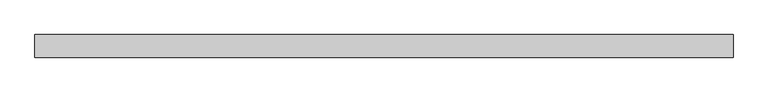
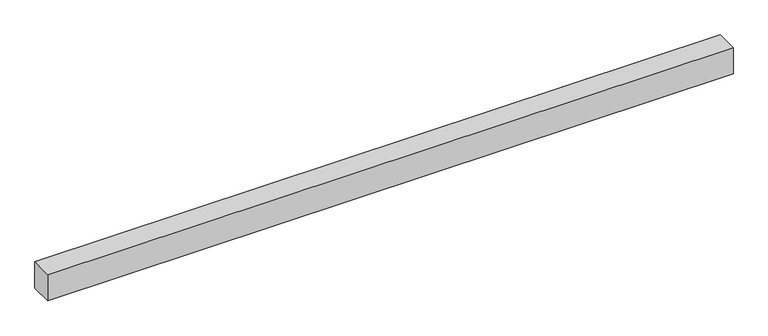
"""IFC4 building model written with IfcOpenShell, lengths in millimetres: proxy geometry."""

from ifc_helpers import new_model, si_unit, frame, origin, place, context, project, spatial, polyline, outline, extrude, source, transform, mapped, element, save


def generic_models_476e110e(model_context):
    return source(origin(), model_context, "Body", "SweptSolid", [
        extrude(outline(polyline([(40.0, 0.0), (-40.0, 0.0), (-40.0, 2464.2640687), (40.0, 2464.2640687), (40.0, 0.0)])), frame((2464.2640687, 0.0, 0.0), z_axis=(0.0, -1.9783474858313244e-12, 1.0), x_axis=(0.0, 1.0, 1.9783474858313244e-12)), (0.0, 0.0, 1.0), 100.0),
    ])


if __name__ == "__main__":
    model = new_model("IFC4")
    model_context = context("Model", 3, world=origin())
    ifc_project = project(units=[si_unit("LENGTHUNIT", "METRE", prefix="MILLI")], contexts=[model_context])
    site = spatial("IfcSite", under=ifc_project)
    building = spatial("IfcBuilding", under=site)
    placement = place(None, origin())
    generic_models_shape = generic_models_476e110e(model_context)
    element("IfcBuildingElementProxy", 1, Name="Generic Models", at=placement, inside=building, context=model_context, shape_type="MappedRepresentation", body=[
        mapped(generic_models_shape, transform((0.0, 0.0, 0.0), x_axis=(1.0, 0.0, 0.0), y_axis=(0.0, 1.0, 0.0), z_axis=(0.0, 0.0, 1.0))),
    ])
    save(model, "model.ifc")
